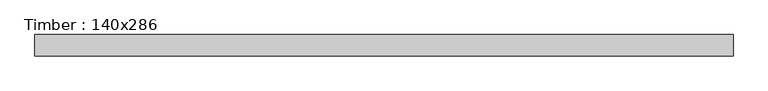
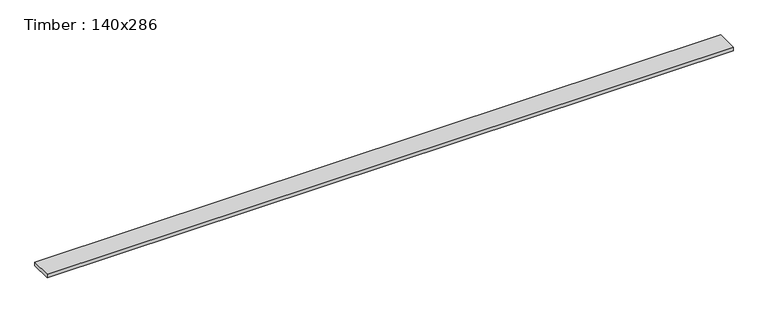
"""IFC4 building model written with IfcOpenShell, lengths in millimetres: beam geometry, Timber : 140x286."""

from ifc_helpers import new_model, si_unit, frame, origin, place, context, project, spatial, polyline, outline, extrude, source, transform, mapped, element, save


def timber_140x286_e94414fb(model_context):
    return source(origin(), model_context, "Body", "SweptSolid", [
        extrude(outline(polyline([(1605.0, -31.5582294), (1605.0, -131.5582294), (-1648.4743932, -131.5582294), (-1648.4743932, -31.5582294), (1605.0, -31.5582294)])), frame((0.0, 0.0, -99.1762027), z_axis=(0.0, 0.0, 1.0), x_axis=(1.0, 0.0, 0.0)), (0.0, 0.0, 1.0), 19.0),
    ])


if __name__ == "__main__":
    model = new_model("IFC4")
    model_context = context("Model", 3, world=origin())
    ifc_project = project(units=[si_unit("LENGTHUNIT", "METRE", prefix="MILLI")], contexts=[model_context])
    site = spatial("IfcSite", under=ifc_project)
    building = spatial("IfcBuilding", under=site)
    placement = place(None, origin())
    timber_140x286_shape = timber_140x286_e94414fb(model_context)
    element("IfcBeam", 1, ObjectType="Timber : 140x286", at=placement, inside=building, context=model_context, shape_type="MappedRepresentation", body=[
        mapped(timber_140x286_shape, transform((0.0, 0.0, 0.0), x_axis=(1.0, 0.0, 0.0), y_axis=(0.0, 1.0, 0.0), z_axis=(0.0, 0.0, 1.0))),
    ])
    save(model, "model.ifc")
